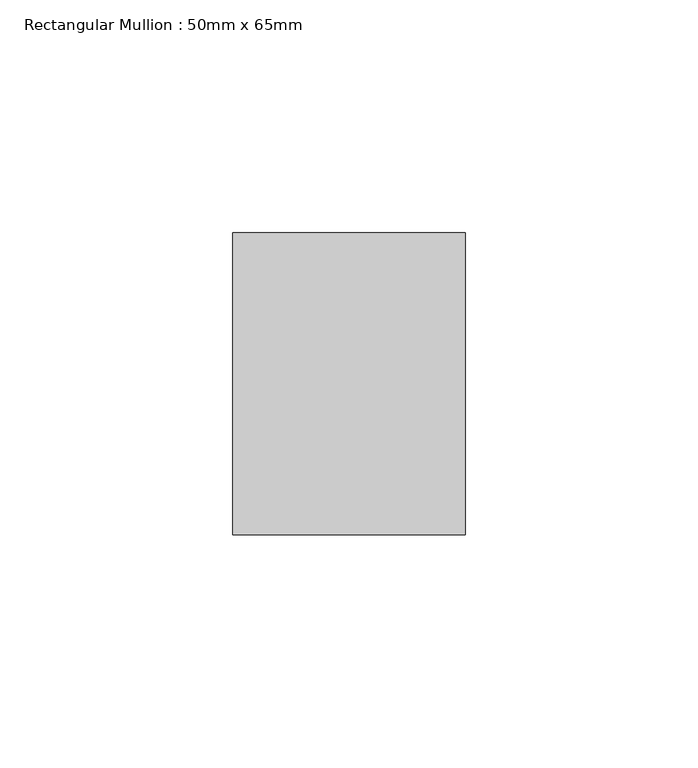
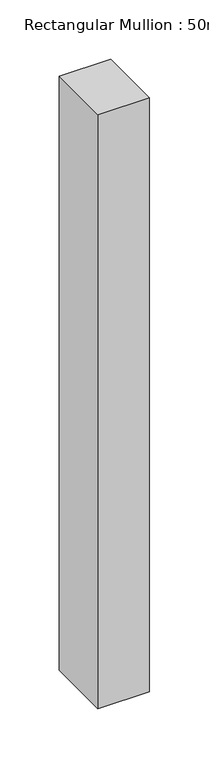
"""IFC4 building model written with IfcOpenShell, lengths in millimetres: member geometry, Rectangular Mullion : 50mm x 65mm."""

from ifc_helpers import new_model, si_unit, frame, origin, place, context, project, spatial, polyline, outline, extrude, source, transform, mapped, element, save


def rectangular_mullion_50mm_x_65mm_2b09e466(model_context):
    return source(origin(), model_context, "Body", "SweptSolid", [
        extrude(outline(polyline([(25.0, 32.5), (25.0, -32.5), (-25.0, -32.5), (-25.0, 32.5), (25.0, 32.5)])), frame((0.0, 0.0, -610.764608), z_axis=(0.0, 0.0, 1.0), x_axis=(1.0, 0.0, 0.0)), (0.0, 0.0, 1.0), 610.764608),
    ])


if __name__ == "__main__":
    model = new_model("IFC4")
    model_context = context("Model", 3, world=origin())
    ifc_project = project(units=[si_unit("LENGTHUNIT", "METRE", prefix="MILLI")], contexts=[model_context])
    site = spatial("IfcSite", under=ifc_project)
    building = spatial("IfcBuilding", under=site)
    placement = place(None, origin())
    rectangular_mullion_50mm_x_65mm_shape = rectangular_mullion_50mm_x_65mm_2b09e466(model_context)
    element("IfcMember", 1, ObjectType="Rectangular Mullion : 50mm x 65mm", at=placement, inside=building, context=model_context, shape_type="MappedRepresentation", body=[
        mapped(rectangular_mullion_50mm_x_65mm_shape, transform((0.0, 0.0, 0.0), x_axis=(1.0, 0.0, 0.0), y_axis=(0.0, 1.0, 0.0), z_axis=(0.0, 0.0, 1.0))),
    ])
    save(model, "model.ifc")
